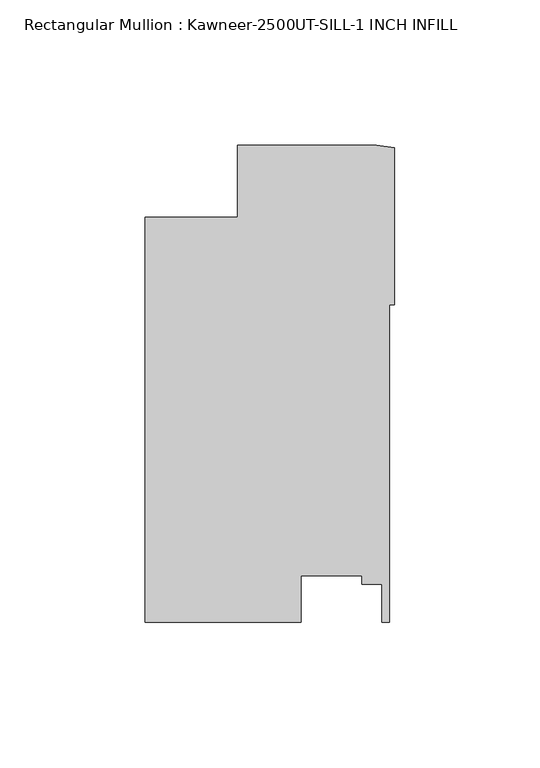
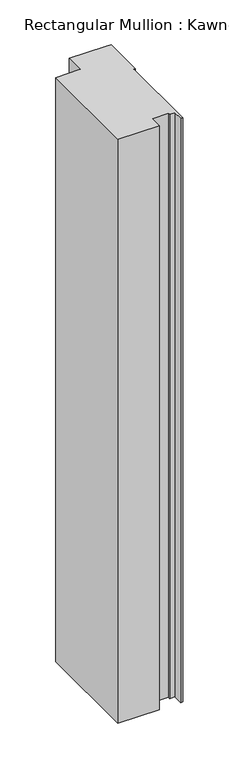
"""IFC4 building model written with IfcOpenShell, lengths in millimetres: member geometry, Rectangular Mullion : Kawneer-2500UT-SILL-1 INCH INFILL."""

from ifc_helpers import new_model, si_unit, point, frame, frame_2d, origin, place, context, project, spatial, polyline, circle_curve, trimmed, segment, composite_curve, outline, extrude, source, transform, mapped, element, save


def rectangular_mullion_kawneer_2500ut_sill_1_inch_infill_daefc273(model_context):
    return source(origin(), model_context, "Body", "SweptSolid", [
        extrude(outline(composite_curve([segment(polyline([(-85.8370969, -24.8046875), (-54.0872101, -24.8040411), (-54.0872101, -0.0023481), (-6.2338824, -0.0023481)]), True, "CONTINUOUS"), segment(trimmed(circle_curve(frame_2d((1.9614918, 38.576115)), 39.4393455), [point((-6.2338824, -0.0023481))], [point((0.0, -0.8144235))], True, "CARTESIAN"), True, "CONTINUOUS"), segment(polyline([(0.0, -0.8144235), (0.0, -54.8449535), (-1.8773984, -54.8449535), (-1.8773984, -163.9966875), (-4.4173983, -163.9966875), (-4.4173983, -150.9528883), (-11.275398, -150.9528883), (-11.275398, -148.098283), (-32.2220472, -148.098283), (-32.2220472, -163.9966875), (-85.8370969, -163.9966875), (-85.8370969, -24.8046875)]), True, "CONTINUOUS")], self_intersect=False)), frame((0.0, 0.0, -799.0534596), z_axis=(0.0, 0.0, 1.0), x_axis=(1.0, 0.0, 0.0)), (0.0, 0.0, 1.0), 799.0534596),
    ])


if __name__ == "__main__":
    model = new_model("IFC4")
    model_context = context("Model", 3, world=origin())
    ifc_project = project(units=[si_unit("LENGTHUNIT", "METRE", prefix="MILLI")], contexts=[model_context])
    site = spatial("IfcSite", under=ifc_project)
    building = spatial("IfcBuilding", under=site)
    placement = place(None, origin())
    rectangular_mullion_kawneer_2500ut_sill_1_inch_infill_shape = rectangular_mullion_kawneer_2500ut_sill_1_inch_infill_daefc273(model_context)
    element("IfcMember", 1, ObjectType="Rectangular Mullion : Kawneer-2500UT-SILL-1 INCH INFILL", at=placement, inside=building, context=model_context, shape_type="MappedRepresentation", body=[
        mapped(rectangular_mullion_kawneer_2500ut_sill_1_inch_infill_shape, transform((0.0, 0.0, 0.0), x_axis=(1.0, 0.0, 0.0), y_axis=(0.0, 1.0, 0.0), z_axis=(0.0, 0.0, 1.0))),
    ])
    save(model, "model.ifc")
